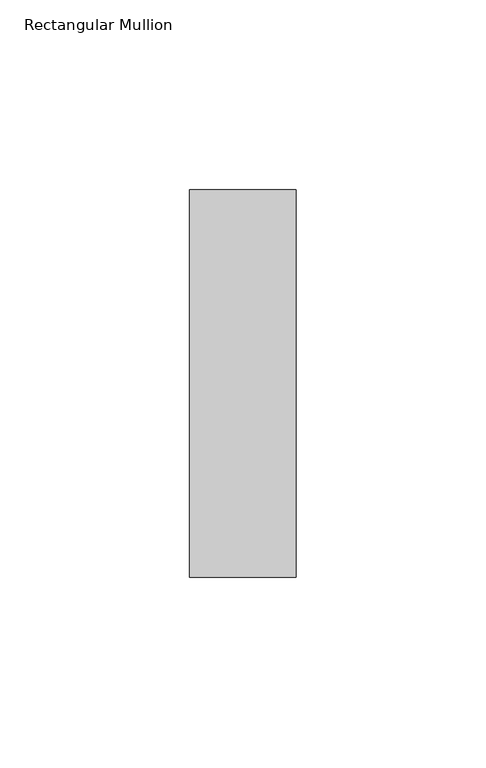
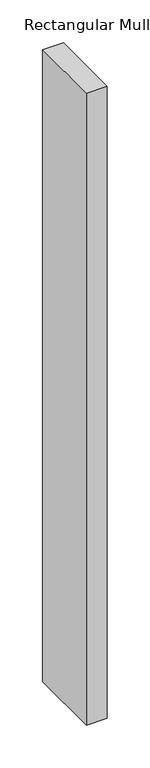
"""IFC4 building model written with IfcOpenShell, lengths in millimetres: member geometry, Rectangular Mullion."""

import ifcopenshell
import ifcopenshell.guid

model = None  # the IFC model being written
_history = None  # IfcOwnerHistory: only IFC2X3 demands one
_inside = {}  # id of a spatial element -> (the spatial element, [elements in it])
_under = {}  # id of a project, library or spatial element -> (it, [spatial elements below it])
_declared = {}  # id of a project -> (the project, [libraries it declares])
_typed = {}  # id of a type object -> (the type object, [elements of that type])
_made_of = {}  # id of a material, layer set ... -> (it, [elements and type objects made of it])


def new_model(schema):
    """Start an empty IFC model of exactly this schema.

    Asked for "IFC4X3", IfcOpenShell would pick the latest addendum, in which some entities
    have other attributes; the version numbers below select the first issue.
    IFC2X3 requires an IfcOwnerHistory on every rooted entity: one is made here for all.
    """
    global model, _history
    if schema == "IFC4X3":
        model = ifcopenshell.file(schema_version=(4, 3, 0, 0))
    else:
        model = ifcopenshell.file(schema=schema)
    _inside.clear()
    _under.clear()
    _declared.clear()
    _typed.clear()
    _made_of.clear()
    _history = None
    if model.schema == "IFC2X3":
        org = make("IfcOrganization", Name="unknown")
        user = make(
            "IfcPersonAndOrganization",
            ThePerson=make("IfcPerson", FamilyName="unknown"),
            TheOrganization=org,
        )
        app = make(
            "IfcApplication",
            ApplicationDeveloper=org,
            Version="unknown",
            ApplicationFullName="unknown",
            ApplicationIdentifier="unknown",
        )
        _history = make(
            "IfcOwnerHistory",
            OwningUser=user,
            OwningApplication=app,
            ChangeAction="ADDED",
            CreationDate=0,
        )
    return model


def make(cls, **values):
    """One entity of the class cls with the attributes given. An attribute that is None is left unset."""
    return model.create_entity(
        cls, **{name: value for name, value in values.items() if value is not None}
    )


def rooted(cls, **values):
    """An entity with a GlobalId (a new one), such as an element, a storey or a relation."""
    return make(cls, GlobalId=ifcopenshell.guid.new(), OwnerHistory=_history, **values)


def si_unit(unit_type, name, prefix=None):
    """IfcSIUnit, for example si_unit("LENGTHUNIT", "METRE", prefix="MILLI")."""
    return make("IfcSIUnit", UnitType=unit_type, Prefix=prefix, Name=name)


def assignment(units):
    """IfcUnitAssignment: the units of a project."""
    return None if units is None else make("IfcUnitAssignment", Units=units)


def point(xyz):
    """IfcCartesianPoint."""
    return None if xyz is None else make("IfcCartesianPoint", Coordinates=xyz)


def direction(xyz):
    """IfcDirection."""
    return None if xyz is None else make("IfcDirection", DirectionRatios=xyz)


def frame(location, z_axis=None, x_axis=None):
    """IfcAxis2Placement3D, a coordinate frame: its origin and axes. An axis left out is left unset."""
    return make(
        "IfcAxis2Placement3D",
        Location=point(location),
        Axis=direction(z_axis),
        RefDirection=direction(x_axis),
    )


def origin():
    """The frame at (0, 0, 0) with its axes left unset."""
    return frame((0.0, 0.0, 0.0))


def place(relative_to, where):
    """IfcLocalPlacement: puts the frame where relative to a parent placement (None: the world)."""
    return make(
        "IfcLocalPlacement", PlacementRelTo=relative_to, RelativePlacement=where
    )


def context(
    kind, dimensions, precision=None, world=None, true_north=None, identifier=None
):
    """IfcGeometricRepresentationContext, for example the 3D "Model" context."""
    return make(
        "IfcGeometricRepresentationContext",
        ContextIdentifier=identifier,
        ContextType=kind,
        CoordinateSpaceDimension=dimensions,
        Precision=precision,
        WorldCoordinateSystem=world,
        TrueNorth=true_north,
    )


def project(units=None, contexts=None):
    """IfcProject with its units and contexts."""
    return rooted(
        "IfcProject",
        Name="project",
        RepresentationContexts=contexts,
        UnitsInContext=assignment(units),
    )


def spatial(cls, under=None, at=None, **own):
    """A site, building, storey or space (cls), placed at a placement, below another one or the project."""
    s = rooted(cls, ObjectPlacement=at, **own)
    if under is not None:
        _under.setdefault(under.id(), (under, []))[1].append(s)
    return s


def polyline(points):
    """IfcPolyline through the points."""
    return make("IfcPolyline", Points=[point(p) for p in points])


def outline(outer, holes=None, kind="AREA"):
    """IfcArbitraryClosedProfileDef: a profile drawn as a closed curve; with holes, ...WithVoids."""
    if holes is None:
        return make("IfcArbitraryClosedProfileDef", ProfileType=kind, OuterCurve=outer)
    return make(
        "IfcArbitraryProfileDefWithVoids",
        ProfileType=kind,
        OuterCurve=outer,
        InnerCurves=holes,
    )


def extrude(swept, where, along, depth):
    """IfcExtrudedAreaSolid: the profile swept, set in the frame where, extruded along a direction by depth."""
    return make(
        "IfcExtrudedAreaSolid",
        SweptArea=swept,
        Position=where,
        ExtrudedDirection=direction(along),
        Depth=depth,
    )


def shape(context_of_items, identifier, shape_type, items):
    """IfcShapeRepresentation: the items that make up one representation, for example the "Body"."""
    return make(
        "IfcShapeRepresentation",
        ContextOfItems=context_of_items,
        RepresentationIdentifier=identifier,
        RepresentationType=shape_type,
        Items=items,
    )


def source(mapping_origin, context_of_items, identifier, shape_type, items):
    """IfcRepresentationMap: a shape defined once, which mapped items show again and again."""
    return make(
        "IfcRepresentationMap",
        MappingOrigin=mapping_origin,
        MappedRepresentation=shape(context_of_items, identifier, shape_type, items),
    )


def transform(
    local_origin,
    x_axis=None,
    y_axis=None,
    z_axis=None,
    scale=None,
    scale2=None,
    scale3=None,
    uniform=True,
):
    """IfcCartesianTransformationOperator3D, or its non-uniform kind. x_axis, y_axis, z_axis: its Axis1, 2, 3."""
    if uniform:
        return make(
            "IfcCartesianTransformationOperator3D",
            Axis1=direction(x_axis),
            Axis2=direction(y_axis),
            LocalOrigin=point(local_origin),
            Scale=scale,
            Axis3=direction(z_axis),
        )
    return make(
        "IfcCartesianTransformationOperator3DnonUniform",
        Axis1=direction(x_axis),
        Axis2=direction(y_axis),
        LocalOrigin=point(local_origin),
        Scale=scale,
        Axis3=direction(z_axis),
        Scale2=scale2,
        Scale3=scale3,
    )


def mapped(mapping_source, mapping_target):
    """IfcMappedItem: shows the shape of a source again, moved by a transform."""
    return make(
        "IfcMappedItem", MappingSource=mapping_source, MappingTarget=mapping_target
    )


def made_of(thing, what):
    """Note that an element or type object is made of a material, layer set ...; save() writes the relation."""
    if what is not None:
        _made_of.setdefault(what.id(), (what, []))[1].append(thing)
    return thing


def element(
    cls,
    number,
    at=None,
    inside=None,
    cuts=None,
    type_object=None,
    material=None,
    context=None,
    identifier="Body",
    shape_type=None,
    held_by="IfcProductDefinitionShape",
    body=None,
    shapes=None,
    **own,
):
    """One element of the class cls, such as IfcWall. Its Tag is "e" and its number.

    at: its placement. inside: the storey or other place that contains it. cuts: it is an
    opening in that element (IfcRelVoidsElement). A single representation is given by context,
    identifier, shape_type and body (its items); several are given by shapes. held_by: the class
    of the entity that holds the representations. save() writes the other relations.
    """
    e = rooted(cls, Tag="e%d" % number, ObjectPlacement=at, **own)
    if body is not None:
        shapes = [shape(context, identifier, shape_type, body)]
    if shapes is not None:
        e.Representation = make(held_by, Representations=shapes)
    if inside is not None:
        _inside.setdefault(inside.id(), (inside, []))[1].append(e)
    if cuts is not None:
        rooted(
            "IfcRelVoidsElement", RelatingBuildingElement=cuts, RelatedOpeningElement=e
        )
    if type_object is not None:
        _typed.setdefault(type_object.id(), (type_object, []))[1].append(e)
    return made_of(e, material)


def aggregate(whole, parts):
    """IfcRelAggregates: a whole, such as a stair, and the parts it consists of."""
    return rooted("IfcRelAggregates", RelatingObject=whole, RelatedObjects=parts)


def save(model, path):
    """Write the relations noted so far, then the file.

    IfcRelAggregates (storeys below a building ...), IfcRelContainedInSpatialStructure (elements
    in a storey), IfcRelDefinesByType, IfcRelAssociatesMaterial and IfcRelDeclares: one each for
    every whole, place, type object, material and project.
    """
    for whole, parts in _under.values():
        aggregate(whole, parts)
    for where, things in _inside.values():
        rooted(
            "IfcRelContainedInSpatialStructure",
            RelatedElements=things,
            RelatingStructure=where,
        )
    for kind, things in _typed.values():
        rooted("IfcRelDefinesByType", RelatedObjects=things, RelatingType=kind)
    for what, things in _made_of.values():
        rooted("IfcRelAssociatesMaterial", RelatedObjects=things, RelatingMaterial=what)
    for by, libraries in _declared.values():
        rooted("IfcRelDeclares", RelatingContext=by, RelatedDefinitions=libraries)
    model.write(path)


def rectangular_mullion_7cd41706(model_context):
    return source(origin(), model_context, "Body", "SweptSolid", [
        extrude(outline(polyline([(0.0, -51.0), (-28.0, -51.0), (-28.0, 51.0), (0.0, 51.0), (0.0, -51.0)])), frame((0.0, 0.0, -900.0), z_axis=(0.0, 0.0, 1.0), x_axis=(1.0, 0.0, 0.0)), (0.0, 0.0, 1.0), 900.0),
    ])


if __name__ == "__main__":
    model = new_model("IFC4")
    model_context = context("Model", 3, world=origin())
    ifc_project = project(units=[si_unit("LENGTHUNIT", "METRE", prefix="MILLI")], contexts=[model_context])
    site = spatial("IfcSite", under=ifc_project)
    building = spatial("IfcBuilding", under=site)
    placement = place(None, origin())
    rectangular_mullion_shape = rectangular_mullion_7cd41706(model_context)
    element("IfcMember", 1, ObjectType="Rectangular Mullion", at=placement, inside=building, context=model_context, shape_type="MappedRepresentation", body=[
        mapped(rectangular_mullion_shape, transform((0.0, 0.0, 0.0), x_axis=(1.0, 0.0, 0.0), y_axis=(0.0, 1.0, 0.0), z_axis=(0.0, 0.0, 1.0))),
    ])
    save(model, "model.ifc")
